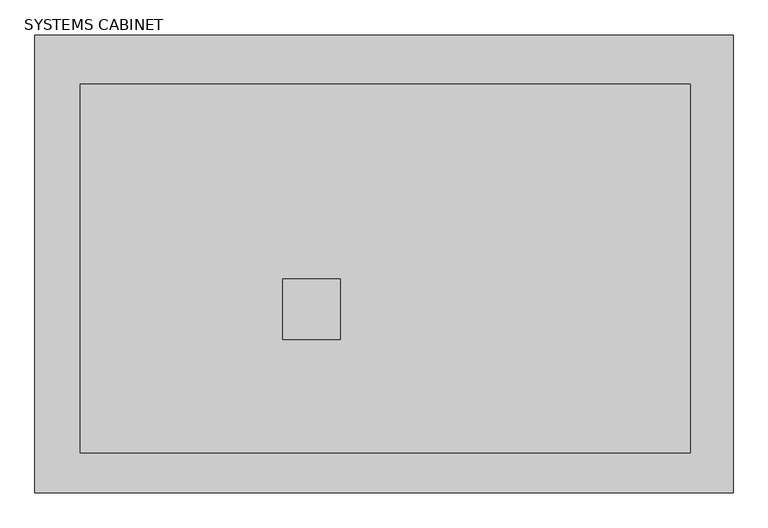
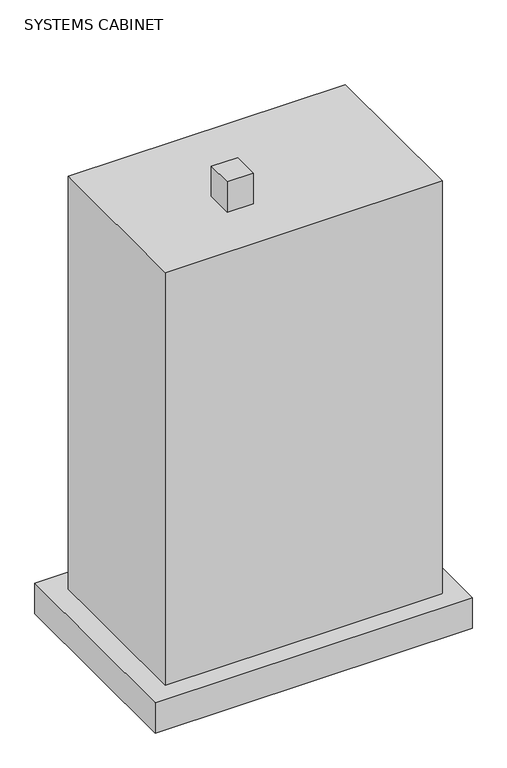
"""IFC4 building model written with IfcOpenShell, lengths in millimetres: proxy geometry, SYSTEMS CABINET."""

from ifc_helpers import new_model, si_unit, frame, origin, origin_with_axes, place, context, project, spatial, polyline, outline, extrude, source, transform, mapped, element, save


def systems_cabinet_21510e5b(model_context):
    return source(origin(), model_context, "Body", "SweptSolid", [
        extrude(outline(polyline([(71.2825904, -658.1375473), (71.2825904, -765.7172083), (-31.7512488, -765.7172083), (-31.7512488, -658.1375473), (71.2825904, -658.1375473)])), frame((0.0, 0.0, 1848.104), z_axis=(0.0, 0.0, 1.0), x_axis=(1.0, 0.0, 0.0)), (0.0, 0.0, 1.0), 127.0),
        extrude(outline(polyline([(-394.2966666, -308.8875473), (697.9033334, -308.8875473), (697.9033334, -969.2875473), (-394.2966666, -969.2875473), (-394.2966666, -308.8875473)])), frame((0.0, 0.0, 127.0), z_axis=(0.0, 0.0, 1.0), x_axis=(1.0, 0.0, 0.0)), (0.0, 0.0, 1.0), 1721.104),
        extrude(outline(polyline([(-475.0672592, -220.4048699), (774.6127408, -220.4048699), (774.6127408, -1040.8248699), (-475.0672592, -1040.8248699), (-475.0672592, -220.4048699)])), origin_with_axes(), (0.0, 0.0, 1.0), 127.0),
    ])


if __name__ == "__main__":
    model = new_model("IFC4")
    model_context = context("Model", 3, world=origin())
    ifc_project = project(units=[si_unit("LENGTHUNIT", "METRE", prefix="MILLI")], contexts=[model_context])
    site = spatial("IfcSite", under=ifc_project)
    building = spatial("IfcBuilding", under=site)
    placement = place(None, origin())
    systems_cabinet_shape = systems_cabinet_21510e5b(model_context)
    element("IfcBuildingElementProxy", 1, Name="SYSTEMS CABINET", ObjectType="SYSTEMS CABINET", at=placement, inside=building, context=model_context, shape_type="MappedRepresentation", body=[
        mapped(systems_cabinet_shape, transform((0.0, 0.0, 0.0), x_axis=(1.0, 0.0, 0.0), y_axis=(0.0, 1.0, 0.0), z_axis=(0.0, 0.0, 1.0))),
    ])
    save(model, "model.ifc")
